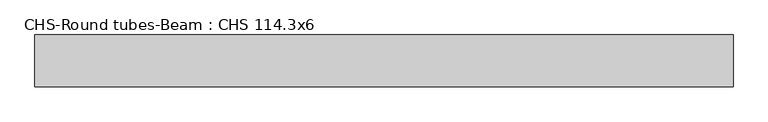
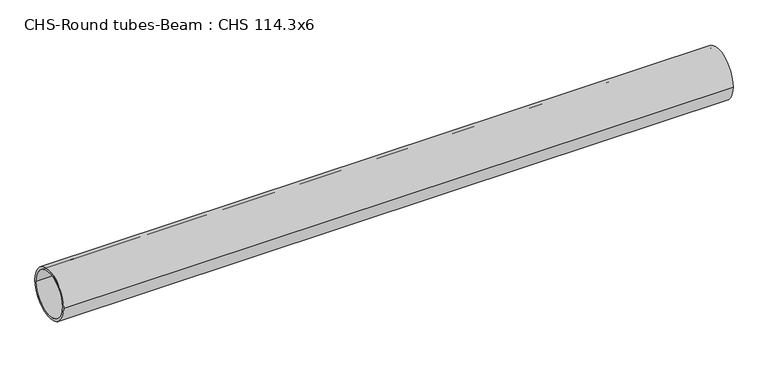
"""IFC4 building model written with IfcOpenShell, lengths in millimetres: beam geometry, CHS-Round tubes-Beam : CHS 114.3x6."""

from ifc_helpers import new_model, si_unit, point, frame, origin, origin_2d, place, context, project, spatial, circle_curve, trimmed, segment, composite_curve, outline, extrude, source, transform, mapped, element, save


def chs_round_tubes_beam_chs_114_3x6_16513be6(model_context):
    return source(origin(), model_context, "Body", "SweptSolid", [
        extrude(outline(composite_curve([segment(trimmed(circle_curve(origin_2d(), 57.15), [point((57.15, 0.0))], [point((-57.15, 0.0))], False, "CARTESIAN"), True, "CONTINUOUS"), segment(trimmed(circle_curve(origin_2d(), 57.15), [point((-57.15, 0.0))], [point((57.15, 0.0))], False, "CARTESIAN"), True, "CONTINUOUS")], self_intersect=False), holes=[composite_curve([segment(trimmed(circle_curve(origin_2d(), 51.15), [point((51.15, 0.0))], [point((-51.15, 0.0))], True, "CARTESIAN"), True, "CONTINUOUS"), segment(trimmed(circle_curve(origin_2d(), 51.15), [point((-51.15, 0.0))], [point((51.15, 0.0))], True, "CARTESIAN"), True, "CONTINUOUS")], self_intersect=False)]), frame((-756.4489525, 0.0, 0.0), z_axis=(1.0, 0.0, 0.0), x_axis=(0.0, 1.0, 0.0)), (0.0, 0.0, 1.0), 1533.9001909),
    ])


if __name__ == "__main__":
    model = new_model("IFC4")
    model_context = context("Model", 3, world=origin())
    ifc_project = project(units=[si_unit("LENGTHUNIT", "METRE", prefix="MILLI")], contexts=[model_context])
    site = spatial("IfcSite", under=ifc_project)
    building = spatial("IfcBuilding", under=site)
    placement = place(None, origin())
    chs_round_tubes_beam_chs_114_3x6_shape = chs_round_tubes_beam_chs_114_3x6_16513be6(model_context)
    element("IfcBeam", 1, ObjectType="CHS-Round tubes-Beam : CHS 114.3x6", at=placement, inside=building, context=model_context, shape_type="MappedRepresentation", body=[
        mapped(chs_round_tubes_beam_chs_114_3x6_shape, transform((0.0, 0.0, 0.0), x_axis=(1.0, 0.0, 0.0), y_axis=(0.0, 1.0, 0.0), z_axis=(0.0, 0.0, 1.0))),
    ])
    save(model, "model.ifc")
